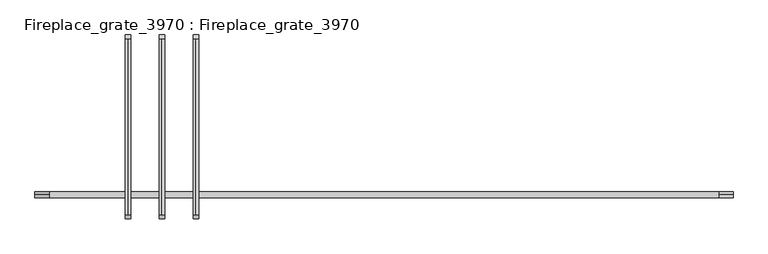
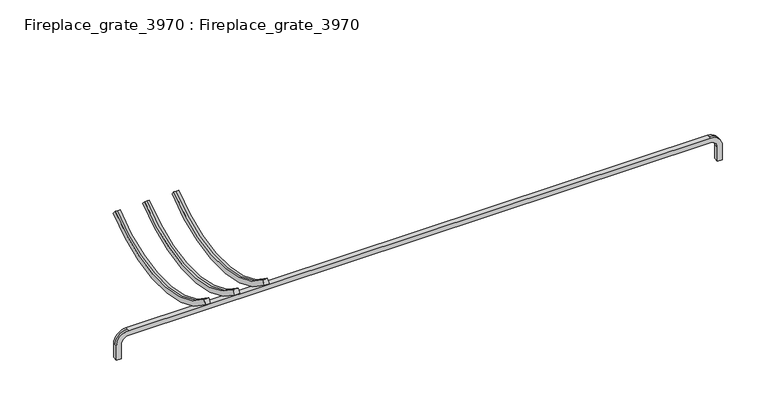
"""IFC4 building model written with IfcOpenShell, lengths in millimetres: proxy geometry, Fireplace_grate_3970 : Fireplace_grate_3970."""

import ifcopenshell
import ifcopenshell.guid

model = None  # the IFC model being written
_history = None  # IfcOwnerHistory: only IFC2X3 demands one
_inside = {}  # id of a spatial element -> (the spatial element, [elements in it])
_under = {}  # id of a project, library or spatial element -> (it, [spatial elements below it])
_declared = {}  # id of a project -> (the project, [libraries it declares])
_typed = {}  # id of a type object -> (the type object, [elements of that type])
_made_of = {}  # id of a material, layer set ... -> (it, [elements and type objects made of it])


def new_model(schema):
    """Start an empty IFC model of exactly this schema.

    Asked for "IFC4X3", IfcOpenShell would pick the latest addendum, in which some entities
    have other attributes; the version numbers below select the first issue.
    IFC2X3 requires an IfcOwnerHistory on every rooted entity: one is made here for all.
    """
    global model, _history
    if schema == "IFC4X3":
        model = ifcopenshell.file(schema_version=(4, 3, 0, 0))
    else:
        model = ifcopenshell.file(schema=schema)
    _inside.clear()
    _under.clear()
    _declared.clear()
    _typed.clear()
    _made_of.clear()
    _history = None
    if model.schema == "IFC2X3":
        org = make("IfcOrganization", Name="unknown")
        user = make(
            "IfcPersonAndOrganization",
            ThePerson=make("IfcPerson", FamilyName="unknown"),
            TheOrganization=org,
        )
        app = make(
            "IfcApplication",
            ApplicationDeveloper=org,
            Version="unknown",
            ApplicationFullName="unknown",
            ApplicationIdentifier="unknown",
        )
        _history = make(
            "IfcOwnerHistory",
            OwningUser=user,
            OwningApplication=app,
            ChangeAction="ADDED",
            CreationDate=0,
        )
    return model


def make(cls, **values):
    """One entity of the class cls with the attributes given. An attribute that is None is left unset."""
    return model.create_entity(
        cls, **{name: value for name, value in values.items() if value is not None}
    )


def rooted(cls, **values):
    """An entity with a GlobalId (a new one), such as an element, a storey or a relation."""
    return make(cls, GlobalId=ifcopenshell.guid.new(), OwnerHistory=_history, **values)


def si_unit(unit_type, name, prefix=None):
    """IfcSIUnit, for example si_unit("LENGTHUNIT", "METRE", prefix="MILLI")."""
    return make("IfcSIUnit", UnitType=unit_type, Prefix=prefix, Name=name)


def assignment(units):
    """IfcUnitAssignment: the units of a project."""
    return None if units is None else make("IfcUnitAssignment", Units=units)


def point(xyz):
    """IfcCartesianPoint."""
    return None if xyz is None else make("IfcCartesianPoint", Coordinates=xyz)


def direction(xyz):
    """IfcDirection."""
    return None if xyz is None else make("IfcDirection", DirectionRatios=xyz)


def frame(location, z_axis=None, x_axis=None):
    """IfcAxis2Placement3D, a coordinate frame: its origin and axes. An axis left out is left unset."""
    return make(
        "IfcAxis2Placement3D",
        Location=point(location),
        Axis=direction(z_axis),
        RefDirection=direction(x_axis),
    )


def origin():
    """The frame at (0, 0, 0) with its axes left unset."""
    return frame((0.0, 0.0, 0.0))


def place(relative_to, where):
    """IfcLocalPlacement: puts the frame where relative to a parent placement (None: the world)."""
    return make(
        "IfcLocalPlacement", PlacementRelTo=relative_to, RelativePlacement=where
    )


def context(
    kind, dimensions, precision=None, world=None, true_north=None, identifier=None
):
    """IfcGeometricRepresentationContext, for example the 3D "Model" context."""
    return make(
        "IfcGeometricRepresentationContext",
        ContextIdentifier=identifier,
        ContextType=kind,
        CoordinateSpaceDimension=dimensions,
        Precision=precision,
        WorldCoordinateSystem=world,
        TrueNorth=true_north,
    )


def project(units=None, contexts=None):
    """IfcProject with its units and contexts."""
    return rooted(
        "IfcProject",
        Name="project",
        RepresentationContexts=contexts,
        UnitsInContext=assignment(units),
    )


def spatial(cls, under=None, at=None, **own):
    """A site, building, storey or space (cls), placed at a placement, below another one or the project."""
    s = rooted(cls, ObjectPlacement=at, **own)
    if under is not None:
        _under.setdefault(under.id(), (under, []))[1].append(s)
    return s


def polyline(points):
    """IfcPolyline through the points."""
    return make("IfcPolyline", Points=[point(p) for p in points])


def circle_curve(where, radius):
    """IfcCircle in the frame where."""
    return make("IfcCircle", Position=where, Radius=radius)


def shape(context_of_items, identifier, shape_type, items):
    """IfcShapeRepresentation: the items that make up one representation, for example the "Body"."""
    return make(
        "IfcShapeRepresentation",
        ContextOfItems=context_of_items,
        RepresentationIdentifier=identifier,
        RepresentationType=shape_type,
        Items=items,
    )


def source(mapping_origin, context_of_items, identifier, shape_type, items):
    """IfcRepresentationMap: a shape defined once, which mapped items show again and again."""
    return make(
        "IfcRepresentationMap",
        MappingOrigin=mapping_origin,
        MappedRepresentation=shape(context_of_items, identifier, shape_type, items),
    )


def transform(
    local_origin,
    x_axis=None,
    y_axis=None,
    z_axis=None,
    scale=None,
    scale2=None,
    scale3=None,
    uniform=True,
):
    """IfcCartesianTransformationOperator3D, or its non-uniform kind. x_axis, y_axis, z_axis: its Axis1, 2, 3."""
    if uniform:
        return make(
            "IfcCartesianTransformationOperator3D",
            Axis1=direction(x_axis),
            Axis2=direction(y_axis),
            LocalOrigin=point(local_origin),
            Scale=scale,
            Axis3=direction(z_axis),
        )
    return make(
        "IfcCartesianTransformationOperator3DnonUniform",
        Axis1=direction(x_axis),
        Axis2=direction(y_axis),
        LocalOrigin=point(local_origin),
        Scale=scale,
        Axis3=direction(z_axis),
        Scale2=scale2,
        Scale3=scale3,
    )


def mapped(mapping_source, mapping_target):
    """IfcMappedItem: shows the shape of a source again, moved by a transform."""
    return make(
        "IfcMappedItem", MappingSource=mapping_source, MappingTarget=mapping_target
    )


def made_of(thing, what):
    """Note that an element or type object is made of a material, layer set ...; save() writes the relation."""
    if what is not None:
        _made_of.setdefault(what.id(), (what, []))[1].append(thing)
    return thing


def element(
    cls,
    number,
    at=None,
    inside=None,
    cuts=None,
    type_object=None,
    material=None,
    context=None,
    identifier="Body",
    shape_type=None,
    held_by="IfcProductDefinitionShape",
    body=None,
    shapes=None,
    **own,
):
    """One element of the class cls, such as IfcWall. Its Tag is "e" and its number.

    at: its placement. inside: the storey or other place that contains it. cuts: it is an
    opening in that element (IfcRelVoidsElement). A single representation is given by context,
    identifier, shape_type and body (its items); several are given by shapes. held_by: the class
    of the entity that holds the representations. save() writes the other relations.
    """
    e = rooted(cls, Tag="e%d" % number, ObjectPlacement=at, **own)
    if body is not None:
        shapes = [shape(context, identifier, shape_type, body)]
    if shapes is not None:
        e.Representation = make(held_by, Representations=shapes)
    if inside is not None:
        _inside.setdefault(inside.id(), (inside, []))[1].append(e)
    if cuts is not None:
        rooted(
            "IfcRelVoidsElement", RelatingBuildingElement=cuts, RelatedOpeningElement=e
        )
    if type_object is not None:
        _typed.setdefault(type_object.id(), (type_object, []))[1].append(e)
    return made_of(e, material)


def aggregate(whole, parts):
    """IfcRelAggregates: a whole, such as a stair, and the parts it consists of."""
    return rooted("IfcRelAggregates", RelatingObject=whole, RelatedObjects=parts)


def save(model, path):
    """Write the relations noted so far, then the file.

    IfcRelAggregates (storeys below a building ...), IfcRelContainedInSpatialStructure (elements
    in a storey), IfcRelDefinesByType, IfcRelAssociatesMaterial and IfcRelDeclares: one each for
    every whole, place, type object, material and project.
    """
    for whole, parts in _under.values():
        aggregate(whole, parts)
    for where, things in _inside.values():
        rooted(
            "IfcRelContainedInSpatialStructure",
            RelatedElements=things,
            RelatingStructure=where,
        )
    for kind, things in _typed.values():
        rooted("IfcRelDefinesByType", RelatedObjects=things, RelatingType=kind)
    for what, things in _made_of.values():
        rooted("IfcRelAssociatesMaterial", RelatedObjects=things, RelatingMaterial=what)
    for by, libraries in _declared.values():
        rooted("IfcRelDeclares", RelatingContext=by, RelatedDefinitions=libraries)
    model.write(path)


def plane_surface(at):
    """IfcPlane: the flat surface through the origin of the frame at, square to its z axis."""
    return make("IfcPlane", Position=at)


def cylinder_surface(at, radius):
    """IfcCylindricalSurface: all points at the distance radius from the z axis of the frame at."""
    return make("IfcCylindricalSurface", Position=at, Radius=radius)


def revolved_surface(curve, axis_point, axis_direction):
    """IfcSurfaceOfRevolution: the curve turned about the line through axis_point along axis_direction."""
    return make(
        "IfcSurfaceOfRevolution",
        SweptCurve=make("IfcArbitraryOpenProfileDef", ProfileType="CURVE", Curve=curve),
        AxisPosition=make("IfcAxis1Placement", Location=point(axis_point), Axis=direction(axis_direction)),
    )


def advanced_brep(points, edges, surfaces, faces):
    """IfcAdvancedBrep: a solid bounded by faces that lie on surfaces and meet in shared edges.

    An edge is (start, end): straight between two places in points (the first is 0);
    or (start, end, curve); or (start, end, curve, False) where it runs against its curve.
    A face is (place in surfaces, loops), or (place, loops, False) where it looks against
    its surface's normal. A loop lists edges by number (the first is 1), with a minus sign
    where the edge is run from its end to its start. The first loop is the outer one.
    """
    corners = [point(p) for p in points]
    vertices = [make("IfcVertexPoint", VertexGeometry=c) for c in corners]
    made = []
    for start, end, *more in edges:
        made.append(
            make(
                "IfcEdgeCurve",
                EdgeStart=vertices[start],
                EdgeEnd=vertices[end],
                EdgeGeometry=more[0] if more else make("IfcPolyline", Points=[corners[start], corners[end]]),
                SameSense=more[1] if len(more) > 1 else True,
            )
        )
    hull = []
    for where, loops, *sense in faces:
        bounds = []
        for j, loop in enumerate(loops):
            ring = [make("IfcOrientedEdge", EdgeElement=made[abs(k) - 1], Orientation=k > 0) for k in loop]
            bounds.append(
                make(
                    "IfcFaceOuterBound" if j == 0 else "IfcFaceBound",
                    Bound=make("IfcEdgeLoop", EdgeList=ring),
                    Orientation=True,
                )
            )
        hull.append(make("IfcAdvancedFace", Bounds=bounds, FaceSurface=surfaces[where], SameSense=sense[0] if sense else True))
    return make("IfcAdvancedBrep", Outer=make("IfcClosedShell", CfsFaces=hull))


def fireplace_grate_3970_fireplace_grate_3970_b94f541f(model_context):
    return source(origin(), model_context, "Body", "AdvancedBrep", [
        advanced_brep(
        [(158.75, -46.4131906, 119.6971748), (152.4, -46.4131906, 119.6971748), (146.05, -46.4131906, 119.6971748), (146.05, -54.5280147, 109.927854), (158.75, -54.5280147, 109.927854), (158.75, 351.2131906, 119.6971748), (158.75, 359.3280147, 109.927854), (146.05, 359.3280147, 109.927854), (146.05, 351.2131906, 119.6971748), (152.4, 351.2131906, 119.6971748)],
        [
            (0, 1),
            (1, 2),
            (2, 3),
            (3, 4),
            (4, 0),
            (5, 6),
            (6, 7),
            (7, 8),
            (8, 9),
            (9, 5),
            (9, 1, circle_curve(frame((152.4, 152.4, 359.0455355), z_axis=(-1.0, 0.0, 0.0), x_axis=(0.0, -0.6389625279221011, -0.7692378617250962)), 311.15)),
            (0, 5, circle_curve(frame((158.75, 152.4, 359.0455355), z_axis=(1.0, 0.0, 0.0), x_axis=(0.0, -0.6389625279221011, -0.7692378617250962)), 311.15)),
            (8, 2, circle_curve(frame((146.05, 152.4, 359.0455355), z_axis=(-1.0, 0.0, 0.0), x_axis=(0.0, -0.6389625279221011, -0.7692378617250962)), 311.15)),
            (7, 3, circle_curve(frame((146.05, 152.4, 359.0455355), z_axis=(-1.0, 0.0, 0.0), x_axis=(0.0, -0.6389625279221011, -0.7692378617250962)), 323.85)),
            (6, 4, circle_curve(frame((158.75, 152.4, 359.0455355), z_axis=(-1.0, 0.0, 0.0), x_axis=(0.0, -0.6389625279221011, -0.7692378617250962)), 323.85)),
        ],
        [
            plane_surface(frame((152.4, -50.4706026, 114.8125144), z_axis=(0.0, -0.7692378617250962, 0.6389625279221011), x_axis=(1.0, 0.0, 0.0))),
            plane_surface(frame((152.4, 355.2706026, 114.8125144), z_axis=(0.0, 0.7692378617251086, 0.6389625279220862), x_axis=(1.0, 0.0, 0.0))),
            revolved_surface(polyline([(158.75, -46.41319056296172, 119.69717482423636), (152.4, -46.41319056296172, 119.69717482423636)]), (152.4, 152.4, 359.0455355), (1.0, 0.0, 0.0)),
            revolved_surface(polyline([(152.4, -46.41319056296172, 119.69717482423636), (146.05, -46.41319056296172, 119.69717482423636)]), (152.4, 152.4, 359.0455355), (1.0, 0.0, 0.0)),
            plane_surface(frame((146.05, 152.4, 359.0455355), z_axis=(-1.0, 0.0, 0.0), x_axis=(0.0, -0.6389625279221011, -0.7692378617250962))),
            cylinder_surface(frame((152.4, 152.4, 359.0455355), z_axis=(1.0, 0.0, 0.0), x_axis=(0.0, -0.6389625279221011, -0.7692378617250962)), 323.85),
            plane_surface(frame((158.75, 152.4, 359.0455355), z_axis=(1.0, 0.0, 0.0), x_axis=(0.0, -0.6389625279221011, -0.7692378617250962))),
        ],
        [
            (0, [[1, 2, 3, 4, 5]]),
            (1, [[6, 7, 8, 9, 10]]),
            (2, [[11, -1, 12, -10]]),
            (3, [[13, -2, -11, -9]]),
            (4, [[14, -3, -13, -8]]),
            (5, [[15, -4, -14, -7]]),
            (6, [[-12, -5, -15, -6]]),
        ],
    ),
        advanced_brep(
        [(82.55, -46.4131906, 119.6971748), (76.2, -46.4131906, 119.6971748), (69.85, -46.4131906, 119.6971748), (69.85, -54.5280147, 109.927854), (82.55, -54.5280147, 109.927854), (82.55, 351.2131906, 119.6971748), (82.55, 359.3280147, 109.927854), (69.85, 359.3280147, 109.927854), (69.85, 351.2131906, 119.6971748), (76.2, 351.2131906, 119.6971748)],
        [
            (0, 1),
            (1, 2),
            (2, 3),
            (3, 4),
            (4, 0),
            (5, 6),
            (6, 7),
            (7, 8),
            (8, 9),
            (9, 5),
            (9, 1, circle_curve(frame((76.2, 152.4, 359.0455355), z_axis=(-1.0, 0.0, 0.0), x_axis=(0.0, -0.6389625279221011, -0.7692378617250962)), 311.15)),
            (0, 5, circle_curve(frame((82.55, 152.4, 359.0455355), z_axis=(1.0, 0.0, 0.0), x_axis=(0.0, -0.6389625279221011, -0.7692378617250962)), 311.15)),
            (8, 2, circle_curve(frame((69.85, 152.4, 359.0455355), z_axis=(-1.0, 0.0, 0.0), x_axis=(0.0, -0.6389625279221011, -0.7692378617250962)), 311.15)),
            (7, 3, circle_curve(frame((69.85, 152.4, 359.0455355), z_axis=(-1.0, 0.0, 0.0), x_axis=(0.0, -0.6389625279221011, -0.7692378617250962)), 323.85)),
            (6, 4, circle_curve(frame((82.55, 152.4, 359.0455355), z_axis=(-1.0, 0.0, 0.0), x_axis=(0.0, -0.6389625279221011, -0.7692378617250962)), 323.85)),
        ],
        [
            plane_surface(frame((76.2, -50.4706026, 114.8125144), z_axis=(0.0, -0.7692378617250962, 0.6389625279221011), x_axis=(1.0, 0.0, 0.0))),
            plane_surface(frame((76.2, 355.2706026, 114.8125144), z_axis=(0.0, 0.7692378617251086, 0.6389625279220862), x_axis=(1.0, 0.0, 0.0))),
            revolved_surface(polyline([(82.55, -46.41319056296172, 119.69717482423636), (76.2, -46.41319056296172, 119.69717482423636)]), (76.2, 152.4, 359.0455355), (1.0, 0.0, 0.0)),
            revolved_surface(polyline([(76.2, -46.41319056296172, 119.69717482423636), (69.85, -46.41319056296172, 119.69717482423636)]), (76.2, 152.4, 359.0455355), (1.0, 0.0, 0.0)),
            plane_surface(frame((69.85, 152.4, 359.0455355), z_axis=(-1.0, 0.0, 0.0), x_axis=(0.0, -0.6389625279221011, -0.7692378617250962))),
            cylinder_surface(frame((76.2, 152.4, 359.0455355), z_axis=(1.0, 0.0, 0.0), x_axis=(0.0, -0.6389625279221011, -0.7692378617250962)), 323.85),
            plane_surface(frame((82.55, 152.4, 359.0455355), z_axis=(1.0, 0.0, 0.0), x_axis=(0.0, -0.6389625279221011, -0.7692378617250962))),
        ],
        [
            (0, [[1, 2, 3, 4, 5]]),
            (1, [[6, 7, 8, 9, 10]]),
            (2, [[11, -1, 12, -10]]),
            (3, [[13, -2, -11, -9]]),
            (4, [[14, -3, -13, -8]]),
            (5, [[15, -4, -14, -7]]),
            (6, [[-12, -5, -15, -6]]),
        ],
    ),
        advanced_brep(
        [(6.35, -46.4131906, 119.6971748), (0.0, -46.4131906, 119.6971748), (-6.35, -46.4131906, 119.6971748), (-6.35, -54.5280147, 109.927854), (6.35, -54.5280147, 109.927854), (6.35, 351.2131906, 119.6971748), (6.35, 359.3280147, 109.927854), (-6.35, 359.3280147, 109.927854), (-6.35, 351.2131906, 119.6971748), (0.0, 351.2131906, 119.6971748)],
        [
            (0, 1),
            (1, 2),
            (2, 3),
            (3, 4),
            (4, 0),
            (5, 6),
            (6, 7),
            (7, 8),
            (8, 9),
            (9, 5),
            (9, 1, circle_curve(frame((0.0, 152.4, 359.0455355), z_axis=(-1.0, 0.0, 0.0), x_axis=(0.0, -0.6389625279221011, -0.7692378617250962)), 311.15)),
            (0, 5, circle_curve(frame((6.35, 152.4, 359.0455355), z_axis=(1.0, 0.0, 0.0), x_axis=(0.0, -0.6389625279221011, -0.7692378617250962)), 311.15)),
            (8, 2, circle_curve(frame((-6.35, 152.4, 359.0455355), z_axis=(-1.0, 0.0, 0.0), x_axis=(0.0, -0.6389625279221011, -0.7692378617250962)), 311.15)),
            (7, 3, circle_curve(frame((-6.35, 152.4, 359.0455355), z_axis=(-1.0, 0.0, 0.0), x_axis=(0.0, -0.6389625279221011, -0.7692378617250962)), 323.85)),
            (6, 4, circle_curve(frame((6.35, 152.4, 359.0455355), z_axis=(-1.0, 0.0, 0.0), x_axis=(0.0, -0.6389625279221011, -0.7692378617250962)), 323.85)),
        ],
        [
            plane_surface(frame((0.0, -50.4706026, 114.8125144), z_axis=(0.0, -0.7692378617250962, 0.6389625279221011), x_axis=(1.0, 0.0, 0.0))),
            plane_surface(frame((0.0, 355.2706026, 114.8125144), z_axis=(0.0, 0.7692378617251086, 0.6389625279220862), x_axis=(1.0, 0.0, 0.0))),
            revolved_surface(polyline([(6.35, -46.41319056296172, 119.69717482423636), (0.0, -46.41319056296172, 119.69717482423636)]), (0.0, 152.4, 359.0455355), (1.0, 0.0, 0.0)),
            revolved_surface(polyline([(0.0, -46.41319056296172, 119.69717482423636), (-6.35, -46.41319056296172, 119.69717482423636)]), (0.0, 152.4, 359.0455355), (1.0, 0.0, 0.0)),
            plane_surface(frame((-6.35, 152.4, 359.0455355), z_axis=(-1.0, 0.0, 0.0), x_axis=(0.0, -0.6389625279221011, -0.7692378617250962))),
            cylinder_surface(frame((0.0, 152.4, 359.0455355), z_axis=(1.0, 0.0, 0.0), x_axis=(0.0, -0.6389625279221011, -0.7692378617250962)), 323.85),
            plane_surface(frame((6.35, 152.4, 359.0455355), z_axis=(1.0, 0.0, 0.0), x_axis=(0.0, -0.6389625279221011, -0.7692378617250962))),
        ],
        [
            (0, [[1, 2, 3, 4, 5]]),
            (1, [[6, 7, 8, 9, 10]]),
            (2, [[11, -1, 12, -10]]),
            (3, [[13, -2, -11, -9]]),
            (4, [[14, -3, -13, -8]]),
            (5, [[15, -4, -14, -7]]),
            (6, [[-12, -5, -15, -6]]),
        ],
    ),
        advanced_brep(
        [(-209.55, -6.35, 0.0), (-209.55, 6.35, 0.0), (-196.85, 6.35, 0.0), (-196.85, -6.35, 0.0), (-209.55, 6.35, 38.1), (-177.8, 6.35, 69.85), (1328.6, 6.35, 69.85), (1360.35, 6.35, 38.1), (1360.35, 6.35, 0.0), (1347.65, 6.35, 0.0), (1347.65, 6.35, 38.1), (1328.6, 6.35, 57.15), (-177.8, 6.35, 57.15), (-196.85, 6.35, 38.1), (-196.85, -6.35, 38.1), (-177.8, -6.35, 57.15), (1328.6, -6.35, 57.15), (1347.65, -6.35, 38.1), (1347.65, -6.35, 0.0), (1360.35, -6.35, 0.0), (1360.35, -6.35, 38.1), (1328.6, -6.35, 69.85), (-177.8, -6.35, 69.85), (-209.55, -6.35, 38.1), (-209.55, 0.0, 38.1), (-177.8, 0.0, 69.85), (1328.6, 0.0, 69.85), (1360.35, 0.0, 38.1)],
        [
            (0, 1),
            (1, 2),
            (2, 3),
            (3, 0),
            (1, 4),
            (4, 5, circle_curve(frame((-177.8, 6.35, 38.1), z_axis=(0.0, 1.0, 0.0), x_axis=(-1.0, 0.0, 0.0)), 31.75)),
            (5, 6),
            (6, 7, circle_curve(frame((1328.6, 6.35, 38.1), z_axis=(0.0, 1.0, 0.0), x_axis=(0.0, 0.0, 1.0)), 31.75)),
            (7, 8),
            (8, 9),
            (9, 10),
            (10, 11, circle_curve(frame((1328.6, 6.35, 38.1), z_axis=(0.0, -1.0, 0.0), x_axis=(0.0, 0.0, 1.0)), 19.05)),
            (11, 12),
            (12, 13, circle_curve(frame((-177.8, 6.35, 38.1), z_axis=(0.0, -1.0, 0.0), x_axis=(-1.0, 0.0, 0.0)), 19.05)),
            (13, 2),
            (13, 14),
            (14, 3),
            (14, 15, circle_curve(frame((-177.8, -6.35, 38.1), z_axis=(0.0, 1.0, 0.0), x_axis=(-1.0, 0.0, 0.0)), 19.05)),
            (15, 16),
            (16, 17, circle_curve(frame((1328.6, -6.35, 38.1), z_axis=(0.0, 1.0, 0.0), x_axis=(0.0, 0.0, 1.0)), 19.05)),
            (17, 18),
            (18, 19),
            (19, 20),
            (20, 21, circle_curve(frame((1328.6, -6.35, 38.1), z_axis=(0.0, -1.0, 0.0), x_axis=(0.0, 0.0, 1.0)), 31.75)),
            (21, 22),
            (22, 23, circle_curve(frame((-177.8, -6.35, 38.1), z_axis=(0.0, -1.0, 0.0), x_axis=(-1.0, 0.0, 0.0)), 31.75)),
            (23, 0),
            (23, 24),
            (24, 4),
            (12, 15),
            (25, 24, circle_curve(frame((-177.8, 0.0, 38.1), z_axis=(0.0, -1.0, 0.0), x_axis=(-1.0, 0.0, 0.0)), 31.75)),
            (22, 25),
            (25, 5),
            (11, 16),
            (21, 26),
            (26, 6),
            (10, 17),
            (27, 26, circle_curve(frame((1328.6, 0.0, 38.1), z_axis=(0.0, -1.0, 0.0), x_axis=(0.0, 0.0, 1.0)), 31.75)),
            (20, 27),
            (27, 7),
            (8, 19),
            (18, 9),
        ],
        [
            plane_surface(frame((-203.2, 0.0, 0.0), z_axis=(0.0, 0.0, -1.0), x_axis=(0.0, -1.0, 0.0))),
            plane_surface(frame((-209.55, 6.35, 0.0), z_axis=(0.0, 1.0, 0.0), x_axis=(0.0, 0.0, 1.0))),
            plane_surface(frame((-196.85, 6.35, 0.0), z_axis=(1.0, 0.0, 0.0), x_axis=(0.0, 0.0, 1.0))),
            plane_surface(frame((-196.85, -6.35, 0.0), z_axis=(0.0, -1.0, 0.0), x_axis=(0.0, 0.0, 1.0))),
            plane_surface(frame((-209.55, 0.0, 0.0), z_axis=(-1.0, 0.0, 0.0), x_axis=(0.0, 0.0, 1.0))),
            revolved_surface(polyline([(-196.85000000000002, 6.35, 38.1), (-196.85000000000002, -6.35, 38.1)]), (-177.8, 0.0, 38.1), (0.0, 1.0, 0.0)),
            cylinder_surface(frame((-177.8, 0.0, 38.1), z_axis=(0.0, 1.0, 0.0), x_axis=(-1.0, 0.0, 0.0)), 31.75),
            plane_surface(frame((-177.8, 6.35, 57.15), z_axis=(0.0, 0.0, -1.0), x_axis=(1.0, 0.0, 0.0))),
            plane_surface(frame((-177.8, 0.0, 69.85), z_axis=(0.0, 0.0, 1.0), x_axis=(1.0, 0.0, 0.0))),
            revolved_surface(polyline([(1328.6, 6.35, 57.150000000000006), (1328.6, -6.35, 57.150000000000006)]), (1328.6, 0.0, 38.1), (0.0, 1.0, 0.0)),
            cylinder_surface(frame((1328.6, 0.0, 38.1), z_axis=(0.0, 1.0, 0.0), x_axis=(0.0, 0.0, 1.0)), 31.75),
            plane_surface(frame((1354.0, 0.0, 0.0), z_axis=(0.0, 0.0, -1.0), x_axis=(0.0, -1.0, 0.0))),
            plane_surface(frame((1347.65, 6.35, 38.1), z_axis=(-1.0, 0.0, 0.0), x_axis=(0.0, 0.0, -1.0))),
            plane_surface(frame((1360.35, 0.0, 38.1), z_axis=(1.0, 0.0, 0.0), x_axis=(0.0, 0.0, -1.0))),
        ],
        [
            (0, [[1, 2, 3, 4]]),
            (1, [[-2, 5, 6, 7, 8, 9, 10, 11, 12, 13, 14, 15]]),
            (2, [[-3, -15, 16, 17]]),
            (3, [[-4, -17, 18, 19, 20, 21, 22, 23, 24, 25, 26, 27]]),
            (4, [[-27, 28, 29, -5, -1]]),
            (5, [[-18, -16, -14, 30]]),
            (6, [[31, -28, -26, 32]]),
            (6, [[-6, -29, -31, 33]]),
            (7, [[-30, -13, 34, -19]]),
            (8, [[-33, -32, -25, 35, 36, -7]]),
            (9, [[-20, -34, -12, 37]]),
            (10, [[38, -35, -24, 39]]),
            (10, [[-8, -36, -38, 40]]),
            (11, [[41, -22, 42, -10]]),
            (12, [[-37, -11, -42, -21]]),
            (13, [[-40, -39, -23, -41, -9]]),
        ],
    ),
    ])


if __name__ == "__main__":
    model = new_model("IFC4")
    model_context = context("Model", 3, world=origin())
    ifc_project = project(units=[si_unit("LENGTHUNIT", "METRE", prefix="MILLI")], contexts=[model_context])
    site = spatial("IfcSite", under=ifc_project)
    building = spatial("IfcBuilding", under=site)
    placement = place(None, origin())
    fireplace_grate_3970_fireplace_grate_3970_shape = fireplace_grate_3970_fireplace_grate_3970_b94f541f(model_context)
    element("IfcBuildingElementProxy", 1, Name="Fireplace_grate_3970 : Fireplace_grate_3970", ObjectType="Fireplace_grate_3970 : Fireplace_grate_3970", at=placement, inside=building, context=model_context, shape_type="MappedRepresentation", body=[
        mapped(fireplace_grate_3970_fireplace_grate_3970_shape, transform((0.0, 0.0, 0.0), x_axis=(1.0, 0.0, 0.0), y_axis=(0.0, 1.0, 0.0), z_axis=(0.0, 0.0, 1.0))),
    ])
    save(model, "model.ifc")
